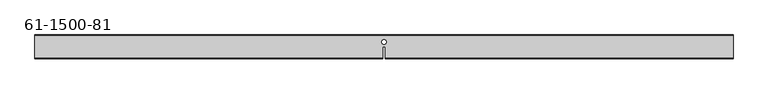
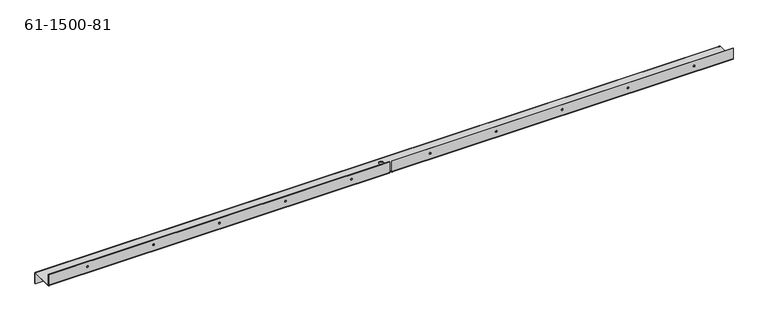
"""IFC4 building model written with IfcOpenShell, lengths in millimetres: proxy geometry, 61-1500-81."""

from ifc_helpers import new_model, si_unit, frame, origin, place, context, project, spatial, polyline, circle_curve, source, transform, mapped, element, save
from ifc_brep_helpers import plane_surface, cylinder_surface, revolved_surface, advanced_brep


def proxy_61_1500_81_b7dbac42(model_context):
    return source(origin(), model_context, "Body", "AdvancedBrep", [
        advanced_brep(
        [(1437.47998, -1.00584, -13.59916), (1437.47998, 0.0, -13.59916), (1434.43198, 0.0, -13.59916), (1434.43198, -1.00584, -13.59916), (1081.87998, -1.00584, -13.59916), (1081.87998, 0.0, -13.59916), (1078.83198, 0.0, -13.59916), (1078.83198, -1.00584, -13.59916), (15.07998, -1.00584, -13.59916), (15.07998, 0.0, -13.59916), (12.03198, 0.0, -13.59916), (12.03198, -1.00584, -13.59916), (370.67998, -1.00584, -13.59916), (370.67998, 0.0, -13.59916), (367.63198, 0.0, -13.59916), (367.63198, -1.00584, -13.59916), (726.27998, -1.00584, -13.59916), (726.27998, 0.0, -13.59916), (723.23198, 0.0, -13.59916), (723.23198, -1.00584, -13.59916), (548.47998, -1.00584, -13.59916), (548.47998, 0.0, -13.59916), (545.43198, 0.0, -13.59916), (545.43198, -1.00584, -13.59916), (192.87998, -1.00584, -13.59916), (192.87998, 0.0, -13.59916), (189.83198, 0.0, -13.59916), (189.83198, -1.00584, -13.59916), (904.07998, -1.00584, -13.59916), (904.07998, 0.0, -13.59916), (901.03198, 0.0, -13.59916), (901.03198, -1.00584, -13.59916), (1259.67998, -1.00584, -13.59916), (1259.67998, 0.0, -13.59916), (1256.63198, 0.0, -13.59916), (1256.63198, -1.00584, -13.59916), (1368.72345, -48.94072, 14.73708), (1368.72345, -49.94656, 14.73708), (1365.29445, -49.94656, 14.73708), (1365.29445, -48.94072, 14.73708), (1089.32345, -48.94072, 14.73708), (1089.32345, -49.94656, 14.73708), (1085.89445, -49.94656, 14.73708), (1085.89445, -48.94072, 14.73708), (84.21751, -48.94072, 14.73708), (84.21751, -49.94656, 14.73708), (80.78851, -49.94656, 14.73708), (80.78851, -48.94072, 14.73708), (363.61751, -48.94072, 14.73708), (363.61751, -49.94656, 14.73708), (360.18851, -49.94656, 14.73708), (360.18851, -48.94072, 14.73708), (809.92345, -48.94072, 14.73708), (809.92345, -49.94656, 14.73708), (806.49445, -49.94656, 14.73708), (806.49445, -48.94072, 14.73708), (643.01751, -48.94072, 14.73708), (643.01751, -49.94656, 14.73708), (639.58851, -49.94656, 14.73708), (639.58851, -48.94072, 14.73708), (503.31751, -48.94072, 14.73708), (503.31751, -49.94656, 14.73708), (499.88851, -49.94656, 14.73708), (499.88851, -48.94072, 14.73708), (223.91751, -48.94072, 14.73708), (223.91751, -49.94656, 14.73708), (220.48851, -49.94656, 14.73708), (220.48851, -48.94072, 14.73708), (949.62345, -48.94072, 14.73708), (949.62345, -49.94656, 14.73708), (946.19445, -49.94656, 14.73708), (946.19445, -48.94072, 14.73708), (1229.02345, -48.94072, 14.73708), (1229.02345, -49.94656, 14.73708), (1225.59445, -49.94656, 14.73708), (1225.59445, -48.94072, 14.73708), (729.51848, -14.71168, 0.0), (729.51848, -14.71168, 1.00584), (719.99348, -14.71168, 1.00584), (719.99348, -14.71168, 0.0), (722.36838, -49.94656, 2.01168), (722.36838, -47.93488, 0.0), (722.36838, -24.54656, 0.0), (722.36838, -24.54656, 1.00584), (722.36838, -47.93488, 1.00584), (722.36838, -48.94072, 2.01168), (722.36838, -48.94072, 25.4), (722.36838, -49.94656, 25.4), (727.14358, -24.54656, 1.00584), (727.14358, -24.54656, 0.0), (727.14358, -47.93488, 0.0), (727.14358, -49.94656, 2.01168), (727.14358, -49.94656, 25.4), (727.14358, -48.94072, 25.4), (727.14358, -48.94072, 2.01168), (727.14358, -47.93488, 1.00584), (1449.51196, -47.93488, 0.0), (1449.51196, -49.94656, 2.01168), (0.0, -49.94656, 2.01168), (0.0, -47.93488, 0.0), (1449.51196, -49.94656, 25.4), (0.0, -49.94656, 25.4), (1449.51196, -47.93488, 1.00584), (1449.51196, -2.01168, 1.00584), (0.0, -2.01168, 1.00584), (0.0, -47.93488, 1.00584), (1449.51196, -48.94072, 25.4), (0.0, -48.94072, 25.4), (1449.51196, -48.94072, 2.01168), (0.0, -48.94072, 2.01168), (1449.51196, 0.0, -1.00584), (0.0, 0.0, -1.00584), (0.0, -1.00584, -1.00584), (1449.51196, -1.00584, -1.00584), (1449.51196, -2.01168, 0.0), (0.0, -2.01168, 0.0), (1449.51196, 0.0, -24.39416), (0.0, 0.0, -24.39416), (1449.51196, -1.00584, -24.39416), (0.0, -1.00584, -24.39416)],
        [
            (0, 1),
            (1, 2, circle_curve(frame((1435.95598, 0.0, -13.59916), z_axis=(0.0, 1.0, 0.0), x_axis=(1.0, 0.0, 0.0)), 1.524)),
            (2, 3),
            (3, 0, circle_curve(frame((1435.95598, -1.00584, -13.59916), z_axis=(0.0, -1.0, 0.0), x_axis=(1.0, 0.0, 0.0)), 1.524)),
            (4, 5),
            (5, 6, circle_curve(frame((1080.35598, 0.0, -13.59916), z_axis=(0.0, 1.0, 0.0), x_axis=(1.0, 0.0, 0.0)), 1.524)),
            (6, 7),
            (7, 4, circle_curve(frame((1080.35598, -1.00584, -13.59916), z_axis=(0.0, -1.0, 0.0), x_axis=(1.0, 0.0, 0.0)), 1.524)),
            (8, 9),
            (9, 10, circle_curve(frame((13.55598, 0.0, -13.59916), z_axis=(0.0, 1.0, 0.0), x_axis=(1.0, 0.0, 0.0)), 1.524)),
            (10, 11),
            (11, 8, circle_curve(frame((13.55598, -1.00584, -13.59916), z_axis=(0.0, -1.0, 0.0), x_axis=(1.0, 0.0, 0.0)), 1.524)),
            (12, 13),
            (13, 14, circle_curve(frame((369.15598, 0.0, -13.59916), z_axis=(0.0, 1.0, 0.0), x_axis=(1.0, 0.0, 0.0)), 1.524)),
            (14, 15),
            (15, 12, circle_curve(frame((369.15598, -1.00584, -13.59916), z_axis=(0.0, -1.0, 0.0), x_axis=(1.0, 0.0, 0.0)), 1.524)),
            (16, 17),
            (17, 18, circle_curve(frame((724.75598, 0.0, -13.59916), z_axis=(0.0, 1.0, 0.0), x_axis=(1.0, 0.0, 0.0)), 1.524)),
            (18, 19),
            (19, 16, circle_curve(frame((724.75598, -1.00584, -13.59916), z_axis=(0.0, -1.0, 0.0), x_axis=(1.0, 0.0, 0.0)), 1.524)),
            (20, 21),
            (21, 22, circle_curve(frame((546.95598, 0.0, -13.59916), z_axis=(0.0, 1.0, 0.0), x_axis=(1.0, 0.0, 0.0)), 1.524)),
            (22, 23),
            (23, 20, circle_curve(frame((546.95598, -1.00584, -13.59916), z_axis=(0.0, -1.0, 0.0), x_axis=(1.0, 0.0, 0.0)), 1.524)),
            (24, 25),
            (25, 26, circle_curve(frame((191.35598, 0.0, -13.59916), z_axis=(0.0, 1.0, 0.0), x_axis=(1.0, 0.0, 0.0)), 1.524)),
            (26, 27),
            (27, 24, circle_curve(frame((191.35598, -1.00584, -13.59916), z_axis=(0.0, -1.0, 0.0), x_axis=(1.0, 0.0, 0.0)), 1.524)),
            (28, 29),
            (29, 30, circle_curve(frame((902.55598, 0.0, -13.59916), z_axis=(0.0, 1.0, 0.0), x_axis=(1.0, 0.0, 0.0)), 1.524)),
            (30, 31),
            (31, 28, circle_curve(frame((902.55598, -1.00584, -13.59916), z_axis=(0.0, -1.0, 0.0), x_axis=(1.0, 0.0, 0.0)), 1.524)),
            (32, 33),
            (33, 34, circle_curve(frame((1258.15598, 0.0, -13.59916), z_axis=(0.0, 1.0, 0.0), x_axis=(1.0, 0.0, 0.0)), 1.524)),
            (34, 35),
            (35, 32, circle_curve(frame((1258.15598, -1.00584, -13.59916), z_axis=(0.0, -1.0, 0.0), x_axis=(1.0, 0.0, 0.0)), 1.524)),
            (36, 37),
            (37, 38, circle_curve(frame((1367.00895, -49.94656, 14.73708), z_axis=(0.0, -1.0, 0.0), x_axis=(1.0, 0.0, 0.0)), 1.7145)),
            (38, 39),
            (39, 36, circle_curve(frame((1367.00895, -48.94072, 14.73708), z_axis=(0.0, 1.0, 0.0), x_axis=(1.0, 0.0, 0.0)), 1.7145)),
            (40, 41),
            (41, 42, circle_curve(frame((1087.60895, -49.94656, 14.73708), z_axis=(0.0, -1.0, 0.0), x_axis=(1.0, 0.0, 0.0)), 1.7145)),
            (42, 43),
            (43, 40, circle_curve(frame((1087.60895, -48.94072, 14.73708), z_axis=(0.0, 1.0, 0.0), x_axis=(1.0, 0.0, 0.0)), 1.7145)),
            (44, 45),
            (45, 46, circle_curve(frame((82.50301, -49.94656, 14.73708), z_axis=(0.0, -1.0, 0.0), x_axis=(1.0, 0.0, 0.0)), 1.7145)),
            (46, 47),
            (47, 44, circle_curve(frame((82.50301, -48.94072, 14.73708), z_axis=(0.0, 1.0, 0.0), x_axis=(1.0, 0.0, 0.0)), 1.7145)),
            (48, 49),
            (49, 50, circle_curve(frame((361.90301, -49.94656, 14.73708), z_axis=(0.0, -1.0, 0.0), x_axis=(1.0, 0.0, 0.0)), 1.7145)),
            (50, 51),
            (51, 48, circle_curve(frame((361.90301, -48.94072, 14.73708), z_axis=(0.0, 1.0, 0.0), x_axis=(1.0, 0.0, 0.0)), 1.7145)),
            (52, 53),
            (53, 54, circle_curve(frame((808.20895, -49.94656, 14.73708), z_axis=(0.0, -1.0, 0.0), x_axis=(1.0, 0.0, 0.0)), 1.7145)),
            (54, 55),
            (55, 52, circle_curve(frame((808.20895, -48.94072, 14.73708), z_axis=(0.0, 1.0, 0.0), x_axis=(1.0, 0.0, 0.0)), 1.7145)),
            (56, 57),
            (57, 58, circle_curve(frame((641.30301, -49.94656, 14.73708), z_axis=(0.0, -1.0, 0.0), x_axis=(1.0, 0.0, 0.0)), 1.7145)),
            (58, 59),
            (59, 56, circle_curve(frame((641.30301, -48.94072, 14.73708), z_axis=(0.0, 1.0, 0.0), x_axis=(1.0, 0.0, 0.0)), 1.7145)),
            (60, 61),
            (61, 62, circle_curve(frame((501.60301, -49.94656, 14.73708), z_axis=(0.0, -1.0, 0.0), x_axis=(1.0, 0.0, 0.0)), 1.7145)),
            (62, 63),
            (63, 60, circle_curve(frame((501.60301, -48.94072, 14.73708), z_axis=(0.0, 1.0, 0.0), x_axis=(1.0, 0.0, 0.0)), 1.7145)),
            (64, 65),
            (65, 66, circle_curve(frame((222.20301, -49.94656, 14.73708), z_axis=(0.0, -1.0, 0.0), x_axis=(1.0, 0.0, 0.0)), 1.7145)),
            (66, 67),
            (67, 64, circle_curve(frame((222.20301, -48.94072, 14.73708), z_axis=(0.0, 1.0, 0.0), x_axis=(1.0, 0.0, 0.0)), 1.7145)),
            (68, 69),
            (69, 70, circle_curve(frame((947.90895, -49.94656, 14.73708), z_axis=(0.0, -1.0, 0.0), x_axis=(1.0, 0.0, 0.0)), 1.7145)),
            (70, 71),
            (71, 68, circle_curve(frame((947.90895, -48.94072, 14.73708), z_axis=(0.0, 1.0, 0.0), x_axis=(1.0, 0.0, 0.0)), 1.7145)),
            (72, 73),
            (73, 74, circle_curve(frame((1227.30895, -49.94656, 14.73708), z_axis=(0.0, -1.0, 0.0), x_axis=(1.0, 0.0, 0.0)), 1.7145)),
            (74, 75),
            (75, 72, circle_curve(frame((1227.30895, -48.94072, 14.73708), z_axis=(0.0, 1.0, 0.0), x_axis=(1.0, 0.0, 0.0)), 1.7145)),
            (76, 77),
            (77, 78, circle_curve(frame((724.75598, -14.71168, 1.00584), z_axis=(0.0, 0.0, 1.0), x_axis=(1.0, 0.0, 0.0)), 4.7625)),
            (78, 79),
            (79, 76, circle_curve(frame((724.75598, -14.71168, 0.0), z_axis=(0.0, 0.0, -1.0), x_axis=(1.0, 0.0, 0.0)), 4.7625)),
            (76, 79, circle_curve(frame((724.75598, -14.71168, 0.0), z_axis=(0.0, 0.0, -1.0), x_axis=(1.0, 0.0, 0.0)), 4.7625)),
            (78, 77, circle_curve(frame((724.75598, -14.71168, 1.00584), z_axis=(0.0, 0.0, 1.0), x_axis=(1.0, 0.0, 0.0)), 4.7625)),
            (80, 81, circle_curve(frame((722.36838, -47.93488, 2.01168), z_axis=(1.0, 0.0, 0.0), x_axis=(0.0, 0.0, -1.0)), 2.01168)),
            (81, 82),
            (82, 83),
            (83, 84),
            (84, 85, circle_curve(frame((722.36838, -47.93488, 2.01168), z_axis=(-1.0, 0.0, 0.0), x_axis=(0.0, 0.0, -1.0)), 1.00584)),
            (85, 86),
            (86, 87),
            (87, 80),
            (88, 83),
            (82, 89),
            (89, 88),
            (90, 91, circle_curve(frame((727.14358, -47.93488, 2.01168), z_axis=(-1.0, 0.0, 0.0), x_axis=(0.0, 0.0, -1.0)), 2.01168)),
            (91, 92),
            (92, 93),
            (93, 94),
            (94, 95, circle_curve(frame((727.14358, -47.93488, 2.01168), z_axis=(1.0, 0.0, 0.0), x_axis=(0.0, 0.0, -1.0)), 1.00584)),
            (95, 88),
            (89, 90),
            (90, 96),
            (96, 97, circle_curve(frame((1449.51196, -47.93488, 2.01168), z_axis=(-1.0, 0.0, 0.0), x_axis=(0.0, 0.0, -1.0)), 2.01168)),
            (97, 91),
            (80, 98),
            (98, 99, circle_curve(frame((0.0, -47.93488, 2.01168), z_axis=(1.0, 0.0, 0.0), x_axis=(0.0, 0.0, -1.0)), 2.01168)),
            (99, 81),
            (97, 100),
            (100, 92),
            (73, 74, circle_curve(frame((1227.30895, -49.94656, 14.73708), z_axis=(0.0, 1.0, 0.0), x_axis=(1.0, 0.0, 0.0)), 1.7145)),
            (69, 70, circle_curve(frame((947.90895, -49.94656, 14.73708), z_axis=(0.0, 1.0, 0.0), x_axis=(1.0, 0.0, 0.0)), 1.7145)),
            (53, 54, circle_curve(frame((808.20895, -49.94656, 14.73708), z_axis=(0.0, 1.0, 0.0), x_axis=(1.0, 0.0, 0.0)), 1.7145)),
            (41, 42, circle_curve(frame((1087.60895, -49.94656, 14.73708), z_axis=(0.0, 1.0, 0.0), x_axis=(1.0, 0.0, 0.0)), 1.7145)),
            (37, 38, circle_curve(frame((1367.00895, -49.94656, 14.73708), z_axis=(0.0, 1.0, 0.0), x_axis=(1.0, 0.0, 0.0)), 1.7145)),
            (87, 101),
            (101, 98),
            (45, 46, circle_curve(frame((82.50301, -49.94656, 14.73708), z_axis=(0.0, 1.0, 0.0), x_axis=(1.0, 0.0, 0.0)), 1.7145)),
            (49, 50, circle_curve(frame((361.90301, -49.94656, 14.73708), z_axis=(0.0, 1.0, 0.0), x_axis=(1.0, 0.0, 0.0)), 1.7145)),
            (57, 58, circle_curve(frame((641.30301, -49.94656, 14.73708), z_axis=(0.0, 1.0, 0.0), x_axis=(1.0, 0.0, 0.0)), 1.7145)),
            (61, 62, circle_curve(frame((501.60301, -49.94656, 14.73708), z_axis=(0.0, 1.0, 0.0), x_axis=(1.0, 0.0, 0.0)), 1.7145)),
            (65, 66, circle_curve(frame((222.20301, -49.94656, 14.73708), z_axis=(0.0, 1.0, 0.0), x_axis=(1.0, 0.0, 0.0)), 1.7145)),
            (95, 102),
            (102, 103),
            (103, 104),
            (104, 105),
            (105, 84),
            (100, 106),
            (106, 93),
            (86, 107),
            (107, 101),
            (106, 108),
            (108, 94),
            (75, 72, circle_curve(frame((1227.30895, -48.94072, 14.73708), z_axis=(0.0, -1.0, 0.0), x_axis=(1.0, 0.0, 0.0)), 1.7145)),
            (71, 68, circle_curve(frame((947.90895, -48.94072, 14.73708), z_axis=(0.0, -1.0, 0.0), x_axis=(1.0, 0.0, 0.0)), 1.7145)),
            (55, 52, circle_curve(frame((808.20895, -48.94072, 14.73708), z_axis=(0.0, -1.0, 0.0), x_axis=(1.0, 0.0, 0.0)), 1.7145)),
            (43, 40, circle_curve(frame((1087.60895, -48.94072, 14.73708), z_axis=(0.0, -1.0, 0.0), x_axis=(1.0, 0.0, 0.0)), 1.7145)),
            (39, 36, circle_curve(frame((1367.00895, -48.94072, 14.73708), z_axis=(0.0, -1.0, 0.0), x_axis=(1.0, 0.0, 0.0)), 1.7145)),
            (108, 102, circle_curve(frame((1449.51196, -47.93488, 2.01168), z_axis=(1.0, 0.0, 0.0), x_axis=(0.0, 0.0, -1.0)), 1.00584)),
            (105, 109, circle_curve(frame((0.0, -47.93488, 2.01168), z_axis=(-1.0, 0.0, 0.0), x_axis=(0.0, 0.0, -1.0)), 1.00584)),
            (109, 85),
            (64, 67, circle_curve(frame((222.20301, -48.94072, 14.73708), z_axis=(0.0, 1.0, 0.0), x_axis=(1.0, 0.0, 0.0)), 1.7145)),
            (60, 63, circle_curve(frame((501.60301, -48.94072, 14.73708), z_axis=(0.0, 1.0, 0.0), x_axis=(1.0, 0.0, 0.0)), 1.7145)),
            (56, 59, circle_curve(frame((641.30301, -48.94072, 14.73708), z_axis=(0.0, 1.0, 0.0), x_axis=(1.0, 0.0, 0.0)), 1.7145)),
            (48, 51, circle_curve(frame((361.90301, -48.94072, 14.73708), z_axis=(0.0, 1.0, 0.0), x_axis=(1.0, 0.0, 0.0)), 1.7145)),
            (44, 47, circle_curve(frame((82.50301, -48.94072, 14.73708), z_axis=(0.0, 1.0, 0.0), x_axis=(1.0, 0.0, 0.0)), 1.7145)),
            (32, 35, circle_curve(frame((1258.15598, -1.00584, -13.59916), z_axis=(0.0, -1.0, 0.0), x_axis=(1.0, 0.0, 0.0)), 1.524)),
            (34, 33, circle_curve(frame((1258.15598, 0.0, -13.59916), z_axis=(0.0, 1.0, 0.0), x_axis=(1.0, 0.0, 0.0)), 1.524)),
            (28, 31, circle_curve(frame((902.55598, -1.00584, -13.59916), z_axis=(0.0, -1.0, 0.0), x_axis=(1.0, 0.0, 0.0)), 1.524)),
            (30, 29, circle_curve(frame((902.55598, 0.0, -13.59916), z_axis=(0.0, 1.0, 0.0), x_axis=(1.0, 0.0, 0.0)), 1.524)),
            (24, 27, circle_curve(frame((191.35598, -1.00584, -13.59916), z_axis=(0.0, -1.0, 0.0), x_axis=(1.0, 0.0, 0.0)), 1.524)),
            (26, 25, circle_curve(frame((191.35598, 0.0, -13.59916), z_axis=(0.0, 1.0, 0.0), x_axis=(1.0, 0.0, 0.0)), 1.524)),
            (20, 23, circle_curve(frame((546.95598, -1.00584, -13.59916), z_axis=(0.0, -1.0, 0.0), x_axis=(1.0, 0.0, 0.0)), 1.524)),
            (22, 21, circle_curve(frame((546.95598, 0.0, -13.59916), z_axis=(0.0, 1.0, 0.0), x_axis=(1.0, 0.0, 0.0)), 1.524)),
            (16, 19, circle_curve(frame((724.75598, -1.00584, -13.59916), z_axis=(0.0, -1.0, 0.0), x_axis=(1.0, 0.0, 0.0)), 1.524)),
            (18, 17, circle_curve(frame((724.75598, 0.0, -13.59916), z_axis=(0.0, 1.0, 0.0), x_axis=(1.0, 0.0, 0.0)), 1.524)),
            (12, 15, circle_curve(frame((369.15598, -1.00584, -13.59916), z_axis=(0.0, -1.0, 0.0), x_axis=(1.0, 0.0, 0.0)), 1.524)),
            (14, 13, circle_curve(frame((369.15598, 0.0, -13.59916), z_axis=(0.0, 1.0, 0.0), x_axis=(1.0, 0.0, 0.0)), 1.524)),
            (8, 11, circle_curve(frame((13.55598, -1.00584, -13.59916), z_axis=(0.0, -1.0, 0.0), x_axis=(1.0, 0.0, 0.0)), 1.524)),
            (10, 9, circle_curve(frame((13.55598, 0.0, -13.59916), z_axis=(0.0, 1.0, 0.0), x_axis=(1.0, 0.0, 0.0)), 1.524)),
            (4, 7, circle_curve(frame((1080.35598, -1.00584, -13.59916), z_axis=(0.0, -1.0, 0.0), x_axis=(1.0, 0.0, 0.0)), 1.524)),
            (6, 5, circle_curve(frame((1080.35598, 0.0, -13.59916), z_axis=(0.0, 1.0, 0.0), x_axis=(1.0, 0.0, 0.0)), 1.524)),
            (0, 3, circle_curve(frame((1435.95598, -1.00584, -13.59916), z_axis=(0.0, -1.0, 0.0), x_axis=(1.0, 0.0, 0.0)), 1.524)),
            (2, 1, circle_curve(frame((1435.95598, 0.0, -13.59916), z_axis=(0.0, 1.0, 0.0), x_axis=(1.0, 0.0, 0.0)), 1.524)),
            (110, 111),
            (111, 104, circle_curve(frame((0.0, -2.01168, -1.00584), z_axis=(1.0, 0.0, 0.0), x_axis=(0.0, 0.0, 1.0)), 2.01168)),
            (103, 110, circle_curve(frame((1449.51196, -2.01168, -1.00584), z_axis=(-1.0, 0.0, 0.0), x_axis=(0.0, 0.0, 1.0)), 2.01168)),
            (112, 113),
            (113, 114, circle_curve(frame((1449.51196, -2.01168, -1.00584), z_axis=(1.0, 0.0, 0.0), x_axis=(0.0, 0.0, 1.0)), 1.00584)),
            (114, 115),
            (115, 112, circle_curve(frame((0.0, -2.01168, -1.00584), z_axis=(-1.0, 0.0, 0.0), x_axis=(0.0, 0.0, 1.0)), 1.00584)),
            (99, 115),
            (114, 96),
            (110, 116),
            (116, 117),
            (117, 111),
            (118, 119),
            (119, 117),
            (116, 118),
            (112, 119),
            (118, 113),
            (107, 109),
        ],
        [
            revolved_surface(polyline([(1437.4799799999998, 0.0, -13.59916), (1437.4799799999998, -1.005840000000001, -13.59916)]), (1435.95598, -9.525, -13.59916), (0.0, 1.0, 0.0)),
            revolved_surface(polyline([(1081.87998, 0.0, -13.59916), (1081.87998, -1.005840000000001, -13.59916)]), (1080.35598, -9.525, -13.59916), (0.0, 1.0, 0.0)),
            revolved_surface(polyline([(15.079979999999999, 0.0, -13.59916), (15.079979999999999, -1.005840000000001, -13.59916)]), (13.55598, -9.525, -13.59916), (0.0, 1.0, 0.0)),
            revolved_surface(polyline([(370.67998, 0.0, -13.59916), (370.67998, -1.005840000000001, -13.59916)]), (369.15598, -9.525, -13.59916), (0.0, 1.0, 0.0)),
            revolved_surface(polyline([(726.27998, 0.0, -13.59916), (726.27998, -1.005840000000001, -13.59916)]), (724.75598, -9.525, -13.59916), (0.0, 1.0, 0.0)),
            revolved_surface(polyline([(548.47998, 0.0, -13.59916), (548.47998, -1.005840000000001, -13.59916)]), (546.95598, -9.525, -13.59916), (0.0, 1.0, 0.0)),
            revolved_surface(polyline([(192.87998, 0.0, -13.59916), (192.87998, -1.005840000000001, -13.59916)]), (191.35598, -9.525, -13.59916), (0.0, 1.0, 0.0)),
            revolved_surface(polyline([(904.07998, 0.0, -13.59916), (904.07998, -1.005840000000001, -13.59916)]), (902.55598, -9.525, -13.59916), (0.0, 1.0, 0.0)),
            revolved_surface(polyline([(1259.67998, 0.0, -13.59916), (1259.67998, -1.005840000000001, -13.59916)]), (1258.15598, -9.525, -13.59916), (0.0, 1.0, 0.0)),
            revolved_surface(polyline([(1368.72345, -49.94656, 14.73708), (1368.72345, -48.94072, 14.73708)]), (1367.00895, -40.42156, 14.73708), (0.0, -1.0, 0.0)),
            revolved_surface(polyline([(1089.32345, -49.94656, 14.73708), (1089.32345, -48.94072, 14.73708)]), (1087.60895, -40.42156, 14.73708), (0.0, -1.0, 0.0)),
            revolved_surface(polyline([(84.21751, -49.94656, 14.73708), (84.21751, -48.94072, 14.73708)]), (82.50301, -40.42156, 14.73708), (0.0, -1.0, 0.0)),
            revolved_surface(polyline([(363.61751, -49.94656, 14.73708), (363.61751, -48.94072, 14.73708)]), (361.90301, -40.42156, 14.73708), (0.0, -1.0, 0.0)),
            revolved_surface(polyline([(809.92345, -49.94656, 14.73708), (809.92345, -48.94072, 14.73708)]), (808.20895, -40.42156, 14.73708), (0.0, -1.0, 0.0)),
            revolved_surface(polyline([(643.01751, -49.94656, 14.73708), (643.01751, -48.94072, 14.73708)]), (641.30301, -40.42156, 14.73708), (0.0, -1.0, 0.0)),
            revolved_surface(polyline([(503.31750999999997, -49.94656, 14.73708), (503.31750999999997, -48.94072, 14.73708)]), (501.60301, -40.42156, 14.73708), (0.0, -1.0, 0.0)),
            revolved_surface(polyline([(223.91751, -49.94656, 14.73708), (223.91751, -48.94072, 14.73708)]), (222.20301, -40.42156, 14.73708), (0.0, -1.0, 0.0)),
            revolved_surface(polyline([(949.62345, -49.94656, 14.73708), (949.62345, -48.94072, 14.73708)]), (947.90895, -40.42156, 14.73708), (0.0, -1.0, 0.0)),
            revolved_surface(polyline([(1229.0234500000001, -49.94656, 14.73708), (1229.0234500000001, -48.94072, 14.73708)]), (1227.30895, -40.42156, 14.73708), (0.0, -1.0, 0.0)),
            revolved_surface(polyline([(729.5184800000001, -14.71168, 1.0058399999999992), (729.5184800000001, -14.71168, 0.0)]), (724.75598, -14.71168, -8.51916), (0.0, 0.0, 1.0)),
            plane_surface(frame((722.36838, -49.94656, 25.4), z_axis=(1.0, 0.0, 0.0), x_axis=(0.0, 0.0, 1.0))),
            plane_surface(frame((724.75598, -24.54656, 12.7), z_axis=(0.0, -1.0, 0.0), x_axis=(0.0, 0.0, 1.0))),
            plane_surface(frame((727.14358, -49.94656, 0.0), z_axis=(-1.0, 0.0, 0.0), x_axis=(0.0, 0.0, -1.0))),
            cylinder_surface(frame((724.75598, -47.93488, 2.01168), z_axis=(-1.0, 0.0, 0.0), x_axis=(0.0, 0.0, -1.0)), 2.01168),
            plane_surface(frame((724.75598, -49.94656, 12.7), z_axis=(0.0, -1.0, 0.0), x_axis=(0.0, 0.0, 1.0))),
            plane_surface(frame((724.75598, -24.97328, 1.00584), z_axis=(0.0, 0.0, 1.0), x_axis=(1.0, 0.0, 0.0))),
            plane_surface(frame((1449.51196, -49.94656, 25.4), z_axis=(0.0, 0.0, 1.0), x_axis=(1.0, 0.0, 0.0))),
            plane_surface(frame((724.75598, -48.94072, 12.7), z_axis=(0.0, 1.0, 0.0), x_axis=(0.0, 0.0, 1.0))),
            revolved_surface(polyline([(727.14358, -47.93488, 1.00584), (1449.51196, -47.93488, 1.00584)]), (724.75598, -47.93488, 2.01168), (-1.0, 0.0, 0.0)),
            revolved_surface(polyline([(0.0, -47.93488, 1.00584), (722.36838, -47.93488, 1.00584)]), (724.75598, -47.93488, 2.01168), (-1.0, 0.0, 0.0)),
            cylinder_surface(frame((724.75598, -2.01168, -1.00584), z_axis=(-1.0, 0.0, 0.0), x_axis=(0.0, 0.0, 1.0)), 2.01168),
            revolved_surface(polyline([(0.0, -2.01168, 0.0), (1449.51196, -2.01168, 0.0)]), (724.75598, -2.01168, -1.00584), (-1.0, 0.0, 0.0)),
            plane_surface(frame((724.75598, -24.97328, 0.0), z_axis=(0.0, 0.0, -1.0), x_axis=(1.0, 0.0, 0.0))),
            plane_surface(frame((724.75598, 0.0, -11.69416), z_axis=(0.0, 1.0, 0.0), x_axis=(0.0, 0.0, 1.0))),
            plane_surface(frame((1449.51196, 0.0, -24.39416), z_axis=(0.0, 0.0, -1.0), x_axis=(-1.0, 0.0, 0.0))),
            plane_surface(frame((724.75598, -1.00584, -11.69416), z_axis=(0.0, -1.0, 0.0), x_axis=(0.0, 0.0, 1.0))),
            plane_surface(frame((0.0, -49.94656, 25.4), z_axis=(-1.0, 0.0, 0.0), x_axis=(0.0, 0.0, 1.0))),
            plane_surface(frame((1449.51196, -49.94656, 0.0), z_axis=(1.0, 0.0, 0.0), x_axis=(0.0, 0.0, -1.0))),
        ],
        [
            (0, [[1, 2, 3, 4]]),
            (1, [[5, 6, 7, 8]]),
            (2, [[9, 10, 11, 12]]),
            (3, [[13, 14, 15, 16]]),
            (4, [[17, 18, 19, 20]]),
            (5, [[21, 22, 23, 24]]),
            (6, [[25, 26, 27, 28]]),
            (7, [[29, 30, 31, 32]]),
            (8, [[33, 34, 35, 36]]),
            (9, [[37, 38, 39, 40]]),
            (10, [[41, 42, 43, 44]]),
            (11, [[45, 46, 47, 48]]),
            (12, [[49, 50, 51, 52]]),
            (13, [[53, 54, 55, 56]]),
            (14, [[57, 58, 59, 60]]),
            (15, [[61, 62, 63, 64]]),
            (16, [[65, 66, 67, 68]]),
            (17, [[69, 70, 71, 72]]),
            (18, [[73, 74, 75, 76]]),
            (19, [[77, 78, 79, 80]]),
            (19, [[-77, 81, -79, 82]]),
            (20, [[83, 84, 85, 86, 87, 88, 89, 90]]),
            (21, [[91, -85, 92, 93]]),
            (22, [[94, 95, 96, 97, 98, 99, -93, 100]]),
            (23, [[-94, 101, 102, 103]]),
            (23, [[-83, 104, 105, 106]]),
            (24, [[-95, -103, 107, 108], [109, -74], [110, -70], [111, -54], [112, -42], [113, -38]]),
            (24, [[-90, 114, 115, -104], [116, -46], [117, -50], [118, -58], [119, -62], [120, -66]]),
            (25, [[-86, -91, -99, 121, 122, 123, 124, 125], [-82, -78]]),
            (26, [[-96, -108, 126, 127]]),
            (26, [[-89, 128, 129, -114]]),
            (27, [[-97, -127, 130, 131], [132, -76], [133, -72], [134, -56], [135, -44], [136, -40]]),
            (28, [[-98, -131, 137, -121]]),
            (29, [[-87, -125, 138, 139]]),
            (18, [[-73, -132, -75, -109]]),
            (17, [[-69, -133, -71, -110]]),
            (16, [[-65, 140, -67, -120]]),
            (15, [[-61, 141, -63, -119]]),
            (14, [[-57, 142, -59, -118]]),
            (13, [[-53, -134, -55, -111]]),
            (12, [[-49, 143, -51, -117]]),
            (11, [[-45, 144, -47, -116]]),
            (10, [[-41, -135, -43, -112]]),
            (9, [[-37, -136, -39, -113]]),
            (8, [[-33, 145, -35, 146]]),
            (7, [[-29, 147, -31, 148]]),
            (6, [[-25, 149, -27, 150]]),
            (5, [[-21, 151, -23, 152]]),
            (4, [[-17, 153, -19, 154]]),
            (3, [[-13, 155, -15, 156]]),
            (2, [[-9, 157, -11, 158]]),
            (1, [[-5, 159, -7, 160]]),
            (0, [[-1, 161, -3, 162]]),
            (30, [[163, 164, -123, 165]]),
            (31, [[166, 167, 168, 169]]),
            (32, [[-84, -106, 170, -168, 171, -101, -100, -92], [-81, -80]]),
            (33, [[-163, 172, 173, 174], [-146, -34], [-148, -30], [-150, -26], [-152, -22], [-154, -18], [-156, -14], [-158, -10], [-160, -6], [-162, -2]]),
            (34, [[175, 176, -173, 177]]),
            (35, [[-166, 178, -175, 179], [-145, -36], [-147, -32], [-149, -28], [-151, -24], [-153, -20], [-155, -16], [-157, -12], [-159, -8], [-161, -4]]),
            (36, [[-115, -129, 180, -138, -124, -164, -174, -176, -178, -169, -170, -105]]),
            (37, [[-130, -126, -107, -102, -171, -167, -179, -177, -172, -165, -122, -137]]),
            (27, [[-88, -139, -180, -128], [-140, -68], [-141, -64], [-142, -60], [-143, -52], [-144, -48]]),
        ],
    ),
    ])


if __name__ == "__main__":
    model = new_model("IFC4")
    model_context = context("Model", 3, world=origin())
    ifc_project = project(units=[si_unit("LENGTHUNIT", "METRE", prefix="MILLI")], contexts=[model_context])
    site = spatial("IfcSite", under=ifc_project)
    building = spatial("IfcBuilding", under=site)
    placement = place(None, origin())
    proxy_61_1500_81_shape = proxy_61_1500_81_b7dbac42(model_context)
    element("IfcBuildingElementProxy", 1, Name="61-1500-81", ObjectType="61-1500-81", at=placement, inside=building, context=model_context, shape_type="MappedRepresentation", body=[
        mapped(proxy_61_1500_81_shape, transform((0.0, 0.0, 0.0), x_axis=(1.0, 0.0, 0.0), y_axis=(0.0, 1.0, 0.0), z_axis=(0.0, 0.0, 1.0))),
    ])
    save(model, "model.ifc")
